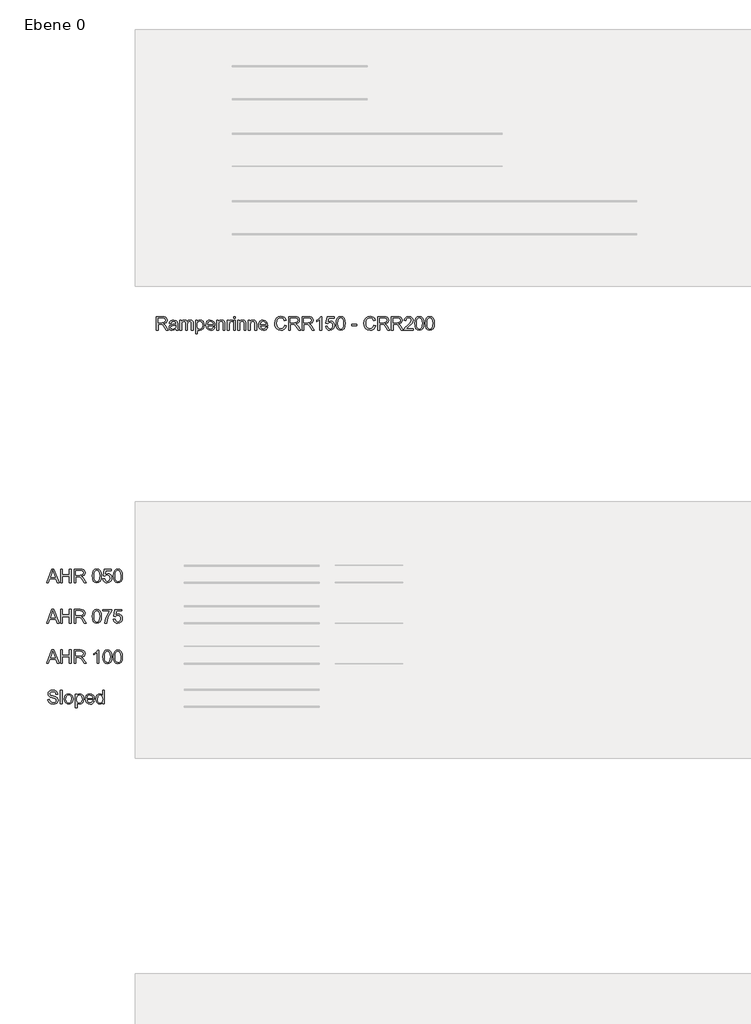
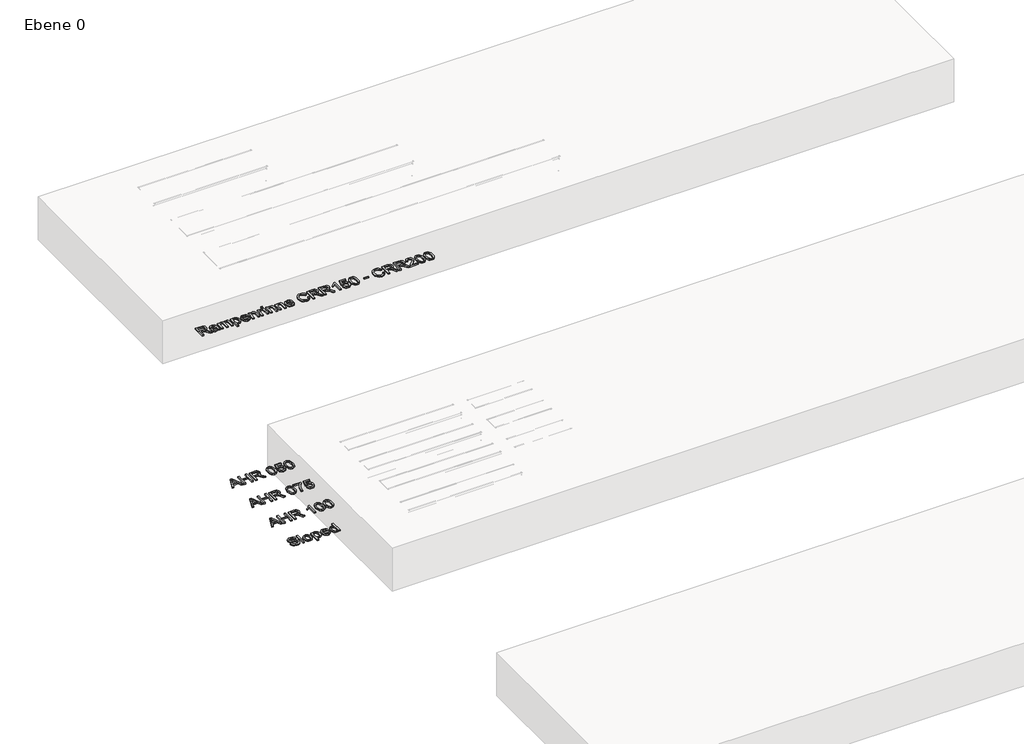
# One storey, part 5 of 8: 5 proxies.
"""IFC4 building model written with IfcOpenShell, lengths in millimetres."""

import ifcopenshell
import ifcopenshell.guid

model = None  # the IFC model being written
_history = None  # IfcOwnerHistory: only IFC2X3 demands one
_inside = {}  # id of a spatial element -> (the spatial element, [elements in it])
_under = {}  # id of a project, library or spatial element -> (it, [spatial elements below it])
_declared = {}  # id of a project -> (the project, [libraries it declares])
_typed = {}  # id of a type object -> (the type object, [elements of that type])
_made_of = {}  # id of a material, layer set ... -> (it, [elements and type objects made of it])


def new_model(schema):
    """Start an empty IFC model of exactly this schema.

    Asked for "IFC4X3", IfcOpenShell would pick the latest addendum, in which some entities
    have other attributes; the version numbers below select the first issue.
    IFC2X3 requires an IfcOwnerHistory on every rooted entity: one is made here for all.
    """
    global model, _history
    if schema == "IFC4X3":
        model = ifcopenshell.file(schema_version=(4, 3, 0, 0))
    else:
        model = ifcopenshell.file(schema=schema)
    _inside.clear()
    _under.clear()
    _declared.clear()
    _typed.clear()
    _made_of.clear()
    _history = None
    if model.schema == "IFC2X3":
        org = make("IfcOrganization", Name="unknown")
        user = make(
            "IfcPersonAndOrganization",
            ThePerson=make("IfcPerson", FamilyName="unknown"),
            TheOrganization=org,
        )
        app = make(
            "IfcApplication",
            ApplicationDeveloper=org,
            Version="unknown",
            ApplicationFullName="unknown",
            ApplicationIdentifier="unknown",
        )
        _history = make(
            "IfcOwnerHistory",
            OwningUser=user,
            OwningApplication=app,
            ChangeAction="ADDED",
            CreationDate=0,
        )
    return model


def make(cls, **values):
    """One entity of the class cls with the attributes given. An attribute that is None is left unset."""
    return model.create_entity(
        cls, **{name: value for name, value in values.items() if value is not None}
    )


def rooted(cls, **values):
    """An entity with a GlobalId (a new one), such as an element, a storey or a relation."""
    return make(cls, GlobalId=ifcopenshell.guid.new(), OwnerHistory=_history, **values)


def si_unit(unit_type, name, prefix=None):
    """IfcSIUnit, for example si_unit("LENGTHUNIT", "METRE", prefix="MILLI")."""
    return make("IfcSIUnit", UnitType=unit_type, Prefix=prefix, Name=name)


def assignment(units):
    """IfcUnitAssignment: the units of a project."""
    return None if units is None else make("IfcUnitAssignment", Units=units)


def point(xyz):
    """IfcCartesianPoint."""
    return None if xyz is None else make("IfcCartesianPoint", Coordinates=xyz)


def direction(xyz):
    """IfcDirection."""
    return None if xyz is None else make("IfcDirection", DirectionRatios=xyz)


def frame(location, z_axis=None, x_axis=None):
    """IfcAxis2Placement3D, a coordinate frame: its origin and axes. An axis left out is left unset."""
    return make(
        "IfcAxis2Placement3D",
        Location=point(location),
        Axis=direction(z_axis),
        RefDirection=direction(x_axis),
    )


def origin():
    """The frame at (0, 0, 0) with its axes left unset."""
    return frame((0.0, 0.0, 0.0))


def origin_with_axes():
    """The frame at (0, 0, 0) with the z axis (0, 0, 1) and the x axis (1, 0, 0) written out."""
    return frame((0.0, 0.0, 0.0), z_axis=(0.0, 0.0, 1.0), x_axis=(1.0, 0.0, 0.0))


def place(relative_to, where):
    """IfcLocalPlacement: puts the frame where relative to a parent placement (None: the world)."""
    return make(
        "IfcLocalPlacement", PlacementRelTo=relative_to, RelativePlacement=where
    )


def context(
    kind, dimensions, precision=None, world=None, true_north=None, identifier=None
):
    """IfcGeometricRepresentationContext, for example the 3D "Model" context."""
    return make(
        "IfcGeometricRepresentationContext",
        ContextIdentifier=identifier,
        ContextType=kind,
        CoordinateSpaceDimension=dimensions,
        Precision=precision,
        WorldCoordinateSystem=world,
        TrueNorth=true_north,
    )


def project(units=None, contexts=None):
    """IfcProject with its units and contexts."""
    return rooted(
        "IfcProject",
        Name="project",
        RepresentationContexts=contexts,
        UnitsInContext=assignment(units),
    )


def spatial(cls, under=None, at=None, **own):
    """A site, building, storey or space (cls), placed at a placement, below another one or the project."""
    s = rooted(cls, ObjectPlacement=at, **own)
    if under is not None:
        _under.setdefault(under.id(), (under, []))[1].append(s)
    return s


def polyline(points):
    """IfcPolyline through the points."""
    return make("IfcPolyline", Points=[point(p) for p in points])


def outline(outer, holes=None, kind="AREA"):
    """IfcArbitraryClosedProfileDef: a profile drawn as a closed curve; with holes, ...WithVoids."""
    if holes is None:
        return make("IfcArbitraryClosedProfileDef", ProfileType=kind, OuterCurve=outer)
    return make(
        "IfcArbitraryProfileDefWithVoids",
        ProfileType=kind,
        OuterCurve=outer,
        InnerCurves=holes,
    )


def extrude(swept, where, along, depth):
    """IfcExtrudedAreaSolid: the profile swept, set in the frame where, extruded along a direction by depth."""
    return make(
        "IfcExtrudedAreaSolid",
        SweptArea=swept,
        Position=where,
        ExtrudedDirection=direction(along),
        Depth=depth,
    )


def shape(context_of_items, identifier, shape_type, items):
    """IfcShapeRepresentation: the items that make up one representation, for example the "Body"."""
    return make(
        "IfcShapeRepresentation",
        ContextOfItems=context_of_items,
        RepresentationIdentifier=identifier,
        RepresentationType=shape_type,
        Items=items,
    )


def made_of(thing, what):
    """Note that an element or type object is made of a material, layer set ...; save() writes the relation."""
    if what is not None:
        _made_of.setdefault(what.id(), (what, []))[1].append(thing)
    return thing


def element(
    cls,
    number,
    at=None,
    inside=None,
    cuts=None,
    type_object=None,
    material=None,
    context=None,
    identifier="Body",
    shape_type=None,
    held_by="IfcProductDefinitionShape",
    body=None,
    shapes=None,
    **own,
):
    """One element of the class cls, such as IfcWall. Its Tag is "e" and its number.

    at: its placement. inside: the storey or other place that contains it. cuts: it is an
    opening in that element (IfcRelVoidsElement). A single representation is given by context,
    identifier, shape_type and body (its items); several are given by shapes. held_by: the class
    of the entity that holds the representations. save() writes the other relations.
    """
    e = rooted(cls, Tag="e%d" % number, ObjectPlacement=at, **own)
    if body is not None:
        shapes = [shape(context, identifier, shape_type, body)]
    if shapes is not None:
        e.Representation = make(held_by, Representations=shapes)
    if inside is not None:
        _inside.setdefault(inside.id(), (inside, []))[1].append(e)
    if cuts is not None:
        rooted(
            "IfcRelVoidsElement", RelatingBuildingElement=cuts, RelatedOpeningElement=e
        )
    if type_object is not None:
        _typed.setdefault(type_object.id(), (type_object, []))[1].append(e)
    return made_of(e, material)


def aggregate(whole, parts):
    """IfcRelAggregates: a whole, such as a stair, and the parts it consists of."""
    return rooted("IfcRelAggregates", RelatingObject=whole, RelatedObjects=parts)


def save(model, path):
    """Write the relations noted so far, then the file.

    IfcRelAggregates (storeys below a building ...), IfcRelContainedInSpatialStructure (elements
    in a storey), IfcRelDefinesByType, IfcRelAssociatesMaterial and IfcRelDeclares: one each for
    every whole, place, type object, material and project.
    """
    for whole, parts in _under.values():
        aggregate(whole, parts)
    for where, things in _inside.values():
        rooted(
            "IfcRelContainedInSpatialStructure",
            RelatedElements=things,
            RelatingStructure=where,
        )
    for kind, things in _typed.values():
        rooted("IfcRelDefinesByType", RelatedObjects=things, RelatingType=kind)
    for what, things in _made_of.values():
        rooted("IfcRelAssociatesMaterial", RelatedObjects=things, RelatingMaterial=what)
    for by, libraries in _declared.values():
        rooted("IfcRelDeclares", RelatingContext=by, RelatedDefinitions=libraries)
    model.write(path)


model = new_model("IFC4")

# Units and contexts
model_context = context("Model", 3, world=origin())
ifc_project = project(units=[si_unit("LENGTHUNIT", "METRE", prefix="MILLI")], contexts=[model_context])

# Site, building, storey
site = spatial("IfcSite", under=ifc_project)
building = spatial("IfcBuilding", under=site)
storey = spatial("IfcBuildingStorey", under=building, Name="Ebene 0", Elevation=0.0)

# Proxies
placement = place(None, origin())
element("IfcBuildingElementProxy", 1, Name="100mm ACO", ObjectType="100mm ACO", at=placement, inside=storey, context=model_context, shape_type="SweptSolid", body=[
    extrude(outline(polyline([(1694.2869147, 12922.2822027), (1679.2108836, 12922.2822027), (1660.3367404, 12952.3178476), (1652.522234, 12961.5002565), (1644.751384, 12966.0405284), (1635.1178583, 12966.9864184), (1619.3142196, 12966.9864184), (1619.3142196, 12922.2822027), (1606.27549, 12922.2822027), (1606.27549, 13022.866688), (1650.6595583, 13022.866688), (1665.9247674, 13021.7170679), (1676.7224653, 13016.8857529), (1683.8675727, 13007.601479), (1686.3705431, 12995.7996824), (1684.5442479, 12985.6895738), (1679.065362, 12977.7695642), (1670.1448919, 12972.1924513), (1657.9938437, 12969.1110328), (1667.7074062, 12961.5802934), (1676.8243304, 12949.8439815), (1694.2869147, 12922.2822027)]), holes=[polyline([(1619.3142196, 12978.1624723), (1648.2439008, 12978.1624723), (1662.1121032, 12979.646792), (1670.2758613, 12985.423997), (1673.3318135, 12995.0720748), (1668.253112, 13006.844767), (1661.526379, 13010.4791673), (1651.5035832, 13011.6906341), (1619.3142196, 13011.6906341), (1619.3142196, 12978.1624723)])]), origin_with_axes(), (0.0, 0.0, 1.0), 10.0),
    extrude(outline(polyline([(1768.3282719, 12922.2822027), (1755.2895423, 12922.2822027), (1751.564191, 12931.0717035), (1738.9984064, 12923.0825712), (1725.4576276, 12920.4195271), (1715.4130036, 12921.8747424), (1707.7476567, 12926.2403885), (1702.8908754, 12932.9925877), (1701.2719484, 12941.6074626), (1702.8581331, 12949.9640368), (1707.6166873, 12956.6980459), (1716.2970469, 12961.6203118), (1729.6486478, 12964.5416566), (1741.0575362, 12966.287915), (1751.564191, 12968.8490941), (1751.2294915, 12976.9255393), (1749.2795029, 12981.829615), (1744.0843841, 12985.9187702), (1734.4508584, 12987.4758506), (1722.2998102, 12984.3180333), (1716.1733536, 12972.5744454), (1703.134624, 12974.1751823), (1706.7108157, 12984.0415424), (1713.4229966, 12991.113889), (1723.2638904, 12995.3703939), (1736.2262212, 12996.7892289), (1755.5951375, 12992.9038039), (1763.1913617, 12983.532217), (1764.6029206, 12969.4020759), (1764.6029206, 12952.7835166), (1765.1559024, 12932.4105016), (1768.3282719, 12922.2822027)]), holes=[polyline([(1751.564191, 12954.8790267), (1751.564191, 12959.5357158), (1728.149776, 12954.1805233), (1717.7704524, 12950.0986442), (1714.3106779, 12941.8111928), (1718.0360292, 12933.1381093), (1728.7755186, 12929.7329053), (1744.6810224, 12935.4373495), (1749.8433989, 12943.1499909), (1751.564191, 12954.8790267)])]), origin_with_axes(), (0.0, 0.0, 1.0), 10.0),
    extrude(outline(polyline([(1880.0888111, 12922.2822027), (1867.0500816, 12922.2822027), (1867.0500816, 12969.2565544), (1866.3952347, 12978.1188159), (1862.9900307, 12984.6381807), (1854.4188123, 12987.4758506), (1842.3405248, 12982.2952839), (1838.5205845, 12975.4994282), (1837.2472711, 12965.4729944), (1837.2472711, 12922.2822027), (1824.2085415, 12922.2822027), (1824.2085415, 12970.6535611), (1821.0070677, 12983.8960208), (1811.9265239, 12987.4758506), (1799.324359, 12981.8732715), (1795.635388, 12973.8295686), (1794.4057311, 12960.9036182), (1794.4057311, 12922.2822027), (1781.3670015, 12922.2822027), (1781.3670015, 12994.9265532), (1792.5430554, 12994.9265532), (1792.5430554, 12984.9728802), (1801.980127, 12993.8351417), (1814.6041202, 12996.7892289), (1827.8611321, 12993.6023073), (1835.3845954, 12984.0124381), (1844.9599125, 12993.5950312), (1857.6202861, 12996.7892289), (1867.4502658, 12995.2612528), (1874.4716799, 12990.6773244), (1878.6845283, 12983.0374438), (1880.0888111, 12972.3416109), (1880.0888111, 12922.2822027)])), origin_with_axes(), (0.0, 0.0, 1.0), 10.0),
    extrude(outline(polyline([(1911.8852666, 12986.1661568), (1920.3910004, 12994.1334609), (1932.1273122, 12996.7892289), (1944.5257471, 12994.1843934), (1954.0137512, 12986.3698869), (1960.0383427, 12974.3716363), (1962.0465399, 12959.2155684), (1959.776404, 12943.2336658), (1952.9659961, 12930.9116298), (1942.8522494, 12923.0425527), (1930.6720969, 12920.4195271), (1920.2382028, 12922.5586936), (1912.103549, 12928.9761934), (1911.7542973, 12894.3420679), (1898.7155677, 12894.3420679), (1898.7155677, 12994.9265532), (1911.7542973, 12994.9265532), (1911.8852666, 12986.1661568)]), holes=[polyline([(1929.2459858, 12929.7329053), (1937.0641303, 12931.5701147), (1943.4052312, 12937.0817429), (1947.6071656, 12946.2314094), (1949.0078103, 12958.982734), (1947.6580981, 12971.1301441), (1943.6089614, 12980.0979088), (1937.4570385, 12985.6313651), (1929.7989677, 12987.4758506), (1921.871682, 12985.4203589), (1915.4942007, 12979.2538839), (1911.2922664, 12969.8131742), (1909.8916216, 12957.9349789), (1911.2340578, 12945.7511884), (1915.2613663, 12936.907117), (1921.4423935, 12931.5264583), (1929.2459858, 12929.7329053)])]), origin_with_axes(), (0.0, 0.0, 1.0), 10.0),
    extrude(outline(polyline([(2040.2789174, 12955.8103645), (1986.2613234, 12955.8103645), (1988.3459194, 12944.6197584), (1993.0862834, 12936.426896), (1999.9076054, 12931.406403), (2008.2350753, 12929.7329053), (2019.9786632, 12933.4437045), (2027.2401878, 12944.6343106), (2040.2789174, 12943.1208866), (2035.8768909, 12933.4437045), (2028.8991333, 12926.2985971), (2019.6003072, 12921.8892946), (2008.2350753, 12920.4195271), (1993.5628665, 12922.9406877), (1982.4923157, 12930.5041695), (1975.5400243, 12942.4332973), (1973.2225938, 12958.0513961), (1975.4563494, 12973.680409), (1982.1576161, 12986.0497396), (1992.9189337, 12994.1043566), (2007.3328418, 12996.7892289), (2022.6417073, 12993.3112642), (2035.1420072, 12981.4658112), (2038.9946898, 12970.8682054), (2040.2789174, 12955.8103645)]), holes=[polyline([(2027.2401878, 12965.1237428), (2025.1446777, 12975.3393546), (2020.3715713, 12982.2370753), (2007.0126944, 12987.4758506), (1999.110875, 12985.9187702), (1992.7515839, 12981.2475289), (1986.2613234, 12965.1237428), (2027.2401878, 12965.1237428)])]), origin_with_axes(), (0.0, 0.0, 1.0), 10.0),
    extrude(outline(polyline([(2114.7859436, 12922.2822027), (2101.747214, 12922.2822027), (2101.747214, 12967.5102959), (2097.861789, 12983.1975175), (2087.0495389, 12987.4758506), (2076.9648965, 12984.7400457), (2070.2126972, 12977.0274044), (2068.2190522, 12962.9409197), (2068.2190522, 12922.2822027), (2055.1803226, 12922.2822027), (2055.1803226, 12994.9265532), (2066.3563766, 12994.9265532), (2066.3563766, 12984.8273587), (2076.3100496, 12993.8060374), (2089.6398222, 12996.7892289), (2101.0778149, 12994.7228231), (2109.9255243, 12988.5381578), (2113.9564708, 12979.7486571), (2114.7859436, 12967.13194), (2114.7859436, 12922.2822027)])), origin_with_axes(), (0.0, 0.0, 1.0), 10.0),
    extrude(outline(polyline([(2172.5288888, 12993.9370068), (2168.4542858, 12985.613175), (2159.8976196, 12987.4758506), (2154.0694821, 12985.8387333), (2149.8566336, 12980.9273815), (2146.4514297, 12962.591668), (2146.4514297, 12922.2822027), (2133.4127001, 12922.2822027), (2133.4127001, 12994.9265532), (2144.588754, 12994.9265532), (2144.588754, 12984.1579596), (2151.5592356, 12993.6314116), (2160.0431411, 12996.7892289), (2172.5288888, 12993.9370068)])), origin_with_axes(), (0.0, 0.0, 1.0), 10.0),
    extrude(outline(polyline([(2193.018321, 12922.2822027), (2179.9795914, 12922.2822027), (2179.9795914, 12994.9265532), (2193.018321, 12994.9265532), (2193.018321, 12922.2822027)])), origin_with_axes(), (0.0, 0.0, 1.0), 10.0),
    extrude(outline(polyline([(2193.018321, 13009.8279585), (2179.9795914, 13009.8279585), (2179.9795914, 13022.866688), (2193.018321, 13022.866688), (2193.018321, 13009.8279585)])), origin_with_axes(), (0.0, 0.0, 1.0), 10.0),
    extrude(outline(polyline([(2271.2506985, 12922.2822027), (2258.2119689, 12922.2822027), (2258.2119689, 12967.5102959), (2254.3265439, 12983.1975175), (2243.5142938, 12987.4758506), (2233.4296514, 12984.7400457), (2226.6774522, 12977.0274044), (2224.6838071, 12962.9409197), (2224.6838071, 12922.2822027), (2211.6450776, 12922.2822027), (2211.6450776, 12994.9265532), (2222.8211315, 12994.9265532), (2222.8211315, 12984.8273587), (2232.7748045, 12993.8060374), (2246.1045772, 12996.7892289), (2257.5425699, 12994.7228231), (2266.3902792, 12988.5381578), (2270.4212257, 12979.7486571), (2271.2506985, 12967.13194), (2271.2506985, 12922.2822027)])), origin_with_axes(), (0.0, 0.0, 1.0), 10.0),
    extrude(outline(polyline([(2349.483076, 12922.2822027), (2336.4443464, 12922.2822027), (2336.4443464, 12967.5102959), (2332.5589214, 12983.1975175), (2321.7466713, 12987.4758506), (2311.6620289, 12984.7400457), (2304.9098297, 12977.0274044), (2302.9161846, 12962.9409197), (2302.9161846, 12922.2822027), (2289.877455, 12922.2822027), (2289.877455, 12994.9265532), (2301.053509, 12994.9265532), (2301.053509, 12984.8273587), (2311.007182, 12993.8060374), (2324.3369546, 12996.7892289), (2335.7749473, 12994.7228231), (2344.6226567, 12988.5381578), (2348.6536032, 12979.7486571), (2349.483076, 12967.13194), (2349.483076, 12922.2822027)])), origin_with_axes(), (0.0, 0.0, 1.0), 10.0),
    extrude(outline(polyline([(2431.4408047, 12955.8103645), (2377.4232108, 12955.8103645), (2379.5078068, 12944.6197584), (2384.2481708, 12936.426896), (2391.0694928, 12931.406403), (2399.3969626, 12929.7329053), (2411.1405505, 12933.4437045), (2418.4020752, 12944.6343106), (2431.4408047, 12943.1208866), (2427.0387783, 12933.4437045), (2420.0610207, 12926.2985971), (2410.7621946, 12921.8892946), (2399.3969626, 12920.4195271), (2384.7247538, 12922.9406877), (2373.654203, 12930.5041695), (2366.7019117, 12942.4332973), (2364.3844812, 12958.0513961), (2366.6182368, 12973.680409), (2373.3195035, 12986.0497396), (2384.080821, 12994.1043566), (2398.4947291, 12996.7892289), (2413.8035946, 12993.3112642), (2426.3038945, 12981.4658112), (2430.1565772, 12970.8682054), (2431.4408047, 12955.8103645)]), holes=[polyline([(2418.4020752, 12965.1237428), (2416.3065651, 12975.3393546), (2411.5334587, 12982.2370753), (2398.1745817, 12987.4758506), (2390.2727624, 12985.9187702), (2383.9134713, 12981.2475289), (2377.4232108, 12965.1237428), (2418.4020752, 12965.1237428)])]), origin_with_axes(), (0.0, 0.0, 1.0), 10.0),
    extrude(outline(polyline([(2571.1414788, 12954.2969405), (2565.193286, 12939.3846212), (2556.0217913, 12928.8161197), (2544.1654242, 12922.5186752), (2530.1626144, 12920.4195271), (2509.1347525, 12924.297676), (2494.7135684, 12935.9321227), (2486.3751844, 12953.0236271), (2483.5957231, 12973.2729487), (2486.8590435, 12994.7846697), (2496.6490048, 13011.0648915), (2511.5686002, 13021.3132456), (2530.220823, 13024.7293637), (2543.6124423, 13022.9067065), (2554.9158276, 13017.4387348), (2563.6362056, 13008.456418), (2569.2788031, 12996.0907255), (2556.2400736, 12993.0638776), (2546.330057, 13008.4163996), (2529.7260498, 13013.5533098), (2515.4212829, 13010.828419), (2505.0455974, 13002.6537468), (2498.7372388, 12989.8951461), (2496.6344526, 12973.4184703), (2498.8609321, 12954.9481494), (2505.5403706, 12941.9130579), (2515.7996389, 12934.1749502), (2528.7656077, 12931.595581), (2539.3959558, 12933.2217841), (2547.8289288, 12938.1003936), (2554.0645266, 12946.2459616), (2558.1027492, 12957.6730401), (2571.1414788, 12954.2969405)])), origin_with_axes(), (0.0, 0.0, 1.0), 10.0),
    extrude(outline(polyline([(2675.9169843, 12922.2822027), (2660.8409533, 12922.2822027), (2641.9668101, 12952.3178476), (2634.1523037, 12961.5002565), (2626.3814537, 12966.0405284), (2616.747928, 12966.9864184), (2600.9442893, 12966.9864184), (2600.9442893, 12922.2822027), (2587.9055597, 12922.2822027), (2587.9055597, 13022.866688), (2632.289628, 13022.866688), (2647.5548371, 13021.7170679), (2658.352535, 13016.8857529), (2665.4976424, 13007.601479), (2668.0006128, 12995.7996824), (2666.1743175, 12985.6895738), (2660.6954317, 12977.7695642), (2651.7749616, 12972.1924513), (2639.6239134, 12969.1110328), (2649.3374759, 12961.5802934), (2658.4544001, 12949.8439815), (2675.9169843, 12922.2822027)]), holes=[polyline([(2600.9442893, 12978.1624723), (2629.8739705, 12978.1624723), (2643.7421729, 12979.646792), (2651.905931, 12985.423997), (2654.9618832, 12995.0720748), (2649.8831816, 13006.844767), (2643.1564487, 13010.4791673), (2633.1336529, 13011.6906341), (2600.9442893, 13011.6906341), (2600.9442893, 12978.1624723)])]), origin_with_axes(), (0.0, 0.0, 1.0), 10.0),
    extrude(outline(polyline([(2776.5014697, 12922.2822027), (2761.4254386, 12922.2822027), (2742.5512954, 12952.3178476), (2734.736789, 12961.5002565), (2726.965939, 12966.0405284), (2717.3324133, 12966.9864184), (2701.5287746, 12966.9864184), (2701.5287746, 12922.2822027), (2688.490045, 12922.2822027), (2688.490045, 13022.866688), (2732.8741133, 13022.866688), (2748.1393224, 13021.7170679), (2758.9370203, 13016.8857529), (2766.0821277, 13007.601479), (2768.5850981, 12995.7996824), (2766.7588029, 12985.6895738), (2761.2799171, 12977.7695642), (2752.3594469, 12972.1924513), (2740.2083987, 12969.1110328), (2749.9219612, 12961.5802934), (2759.0388854, 12949.8439815), (2776.5014697, 12922.2822027)]), holes=[polyline([(2701.5287746, 12978.1624723), (2730.4584558, 12978.1624723), (2744.3266582, 12979.646792), (2752.4904163, 12985.423997), (2755.5463686, 12995.0720748), (2750.467667, 13006.844767), (2743.740934, 13010.4791673), (2733.7181382, 13011.6906341), (2701.5287746, 13011.6906341), (2701.5287746, 12978.1624723)])]), origin_with_axes(), (0.0, 0.0, 1.0), 10.0),
    extrude(outline(polyline([(2831.9160704, 12922.2822027), (2818.8773408, 12922.2822027), (2818.8773408, 13000.5145802), (2794.6625573, 12985.613175), (2794.6625573, 12994.9265532), (2813.0419272, 13006.7137976), (2824.4653678, 13021.0040124), (2831.9160704, 13021.0040124), (2831.9160704, 12922.2822027)])), origin_with_axes(), (0.0, 0.0, 1.0), 10.0),
    extrude(outline(polyline([(2879.2978823, 12984.7691501), (2898.0701604, 12989.3385263), (2909.6209323, 12987.1011327), (2919.5927955, 12980.3889518), (2926.4796022, 12969.9514197), (2928.7752044, 12956.5379722), (2926.3922892, 12942.6188373), (2919.2435438, 12930.9552862), (2908.2312016, 12923.0534669), (2894.2574962, 12920.4195271), (2882.4484236, 12922.2385463), (2872.3419529, 12927.6956038), (2865.0586001, 12936.717939), (2861.7188808, 12949.2327911), (2874.7576104, 12950.2223375), (2881.5680183, 12934.8116069), (2894.4030177, 12929.7329053), (2903.0178926, 12931.6174092), (2909.8283005, 12937.2709209), (2914.2594312, 12945.6820656), (2915.7364748, 12955.8394688), (2914.2557932, 12965.8659026), (2909.8137483, 12973.5348875), (2903.0433589, 12978.4025829), (2894.5776435, 12980.025148), (2884.1801298, 12977.660423), (2876.5038688, 12970.5662482), (2863.5815565, 12972.0796722), (2873.3314994, 13021.0040124), (2925.0498531, 13021.0040124), (2925.0498531, 13011.6906341), (2884.6821791, 13011.6906341), (2879.2978823, 12984.7691501)])), origin_with_axes(), (0.0, 0.0, 1.0), 10.0),
    extrude(outline(polyline([(2973.4503158, 13022.866688), (2988.1316197, 13019.6615762), (2998.6182653, 13010.0462408), (3004.9102527, 12994.0206817), (3007.0075819, 12971.5848989), (3004.839311, 12948.9817664), (2998.3344983, 12933.0362442), (2987.7769109, 12923.5737063), (2973.4503158, 12920.4195271), (2958.7944781, 12923.6173628), (2948.3260227, 12933.21087), (2942.0449494, 12949.2000487), (2939.9512583, 12971.5848989), (2942.1195292, 12994.1843934), (2948.6243418, 13010.1772101), (2959.1673771, 13019.6943186), (2973.4503158, 13022.866688)]), holes=[polyline([(2973.4794201, 12929.7329053), (2982.3707859, 12932.1813052), (2988.7882856, 12939.5265047), (2992.6737106, 12952.4379029), (2993.9688523, 12971.5848989), (2991.6987163, 12995.945204), (2984.844652, 13009.1876637), (2973.3338985, 13013.5533098), (2964.4607229, 13011.0612535), (2958.0977938, 13003.5850846), (2954.2669394, 12990.6009256), (2952.9899879, 12971.5848989), (2955.3037803, 12947.3846676), (2962.1578446, 12934.0985514), (2973.4794201, 12929.7329053)])]), origin_with_axes(), (0.0, 0.0, 1.0), 10.0),
    extrude(outline(polyline([(3094.5533376, 12955.8103645), (3055.4371489, 12955.8103645), (3055.4371489, 12965.1237428), (3094.5533376, 12965.1237428), (3094.5533376, 12955.8103645)])), origin_with_axes(), (0.0, 0.0, 1.0), 10.0),
    extrude(outline(polyline([(3232.391336, 12954.2969405), (3226.4431432, 12939.3846212), (3217.2716485, 12928.8161197), (3205.4152814, 12922.5186752), (3191.4124716, 12920.4195271), (3170.3846097, 12924.297676), (3155.9634256, 12935.9321227), (3147.6250416, 12953.0236271), (3144.8455803, 12973.2729487), (3148.1089007, 12994.7846697), (3157.898862, 13011.0648915), (3172.8184574, 13021.3132456), (3191.4706802, 13024.7293637), (3204.8622995, 13022.9067065), (3216.1656848, 13017.4387348), (3224.8860628, 13008.456418), (3230.5286603, 12996.0907255), (3217.4899308, 12993.0638776), (3207.5799142, 13008.4163996), (3190.975907, 13013.5533098), (3176.6711401, 13010.828419), (3166.2954546, 13002.6537468), (3159.987096, 12989.8951461), (3157.8843098, 12973.4184703), (3160.1107893, 12954.9481494), (3166.7902278, 12941.9130579), (3177.0494961, 12934.1749502), (3190.0154649, 12931.595581), (3200.645813, 12933.2217841), (3209.078786, 12938.1003936), (3215.3143838, 12946.2459616), (3219.3526064, 12957.6730401), (3232.391336, 12954.2969405)])), origin_with_axes(), (0.0, 0.0, 1.0), 10.0),
    extrude(outline(polyline([(3337.1668415, 12922.2822027), (3322.0908105, 12922.2822027), (3303.2166673, 12952.3178476), (3295.4021609, 12961.5002565), (3287.6313109, 12966.0405284), (3277.9977852, 12966.9864184), (3262.1941465, 12966.9864184), (3262.1941465, 12922.2822027), (3249.1554169, 12922.2822027), (3249.1554169, 13022.866688), (3293.5394852, 13022.866688), (3308.8046943, 13021.7170679), (3319.6023922, 13016.8857529), (3326.7474996, 13007.601479), (3329.25047, 12995.7996824), (3327.4241747, 12985.6895738), (3321.9452889, 12977.7695642), (3313.0248188, 12972.1924513), (3300.8737706, 12969.1110328), (3310.5873331, 12961.5802934), (3319.7042573, 12949.8439815), (3337.1668415, 12922.2822027)]), holes=[polyline([(3262.1941465, 12978.1624723), (3291.1238277, 12978.1624723), (3304.99203, 12979.646792), (3313.1557882, 12985.423997), (3316.2117404, 12995.0720748), (3311.1330388, 13006.844767), (3304.4063059, 13010.4791673), (3294.3835101, 13011.6906341), (3262.1941465, 13011.6906341), (3262.1941465, 12978.1624723)])]), origin_with_axes(), (0.0, 0.0, 1.0), 10.0),
    extrude(outline(polyline([(3437.7513269, 12922.2822027), (3422.6752958, 12922.2822027), (3403.8011526, 12952.3178476), (3395.9866462, 12961.5002565), (3388.2157962, 12966.0405284), (3378.5822705, 12966.9864184), (3362.7786318, 12966.9864184), (3362.7786318, 12922.2822027), (3349.7399022, 12922.2822027), (3349.7399022, 13022.866688), (3394.1239705, 13022.866688), (3409.3891796, 13021.7170679), (3420.1868775, 13016.8857529), (3427.3319849, 13007.601479), (3429.8349553, 12995.7996824), (3428.0086601, 12985.6895738), (3422.5297742, 12977.7695642), (3413.6093041, 12972.1924513), (3401.4582559, 12969.1110328), (3411.1718184, 12961.5802934), (3420.2887426, 12949.8439815), (3437.7513269, 12922.2822027)]), holes=[polyline([(3362.7786318, 12978.1624723), (3391.708313, 12978.1624723), (3405.5765154, 12979.646792), (3413.7402735, 12985.423997), (3416.7962257, 12995.0720748), (3411.7175242, 13006.844767), (3404.9907912, 13010.4791673), (3394.9679954, 13011.6906341), (3362.7786318, 13011.6906341), (3362.7786318, 12978.1624723)])]), origin_with_axes(), (0.0, 0.0, 1.0), 10.0),
    extrude(outline(polyline([(3509.9300084, 12922.2822027), (3442.8736849, 12922.2822027), (3448.8691722, 12937.9694242), (3471.0175499, 12959.7103416), (3488.8875944, 12977.1438216), (3494.8903578, 12986.2243654), (3496.8912789, 12995.3631178), (3491.4342213, 13008.4018474), (3477.6533319, 13013.5533098), (3463.5377429, 13008.4163996), (3459.2448576, 13002.009814), (3457.7750901, 12993.0638776), (3444.7363606, 12994.4608843), (3447.8941779, 13006.6337608), (3454.9810767, 13015.561507), (3465.2548971, 13021.0403928), (3477.9734793, 13022.866688), (3491.408755, 13020.7675399), (3501.5043115, 13014.4700954), (3507.8235842, 13005.2040117), (3509.9300084, 12994.1989456), (3508.1691979, 12984.2379964), (3502.8867661, 12974.146078), (3475.295883, 12946.4678819), (3459.6377658, 12931.595581), (3509.9300084, 12931.595581), (3509.9300084, 12922.2822027)])), origin_with_axes(), (0.0, 0.0, 1.0), 10.0),
    extrude(outline(polyline([(3556.4677955, 13022.866688), (3571.1490994, 13019.6615762), (3581.6357451, 13010.0462408), (3587.9277324, 12994.0206817), (3590.0250616, 12971.5848989), (3587.8567907, 12948.9817664), (3581.3519781, 12933.0362442), (3570.7943907, 12923.5737063), (3556.4677955, 12920.4195271), (3541.8119579, 12923.6173628), (3531.3435024, 12933.21087), (3525.0624291, 12949.2000487), (3522.968738, 12971.5848989), (3525.1370089, 12994.1843934), (3531.6418215, 13010.1772101), (3542.1848568, 13019.6943186), (3556.4677955, 13022.866688)]), holes=[polyline([(3556.4968998, 12929.7329053), (3565.3882656, 12932.1813052), (3571.8057653, 12939.5265047), (3575.6911903, 12952.4379029), (3576.986332, 12971.5848989), (3574.716196, 12995.945204), (3567.8621317, 13009.1876637), (3556.3513783, 13013.5533098), (3547.4782026, 13011.0612535), (3541.1152735, 13003.5850846), (3537.2844191, 12990.6009256), (3536.0074676, 12971.5848989), (3538.32126, 12947.3846676), (3545.1753243, 12934.0985514), (3556.4968998, 12929.7329053)])]), origin_with_axes(), (0.0, 0.0, 1.0), 10.0),
    extrude(outline(polyline([(3634.700173, 13022.866688), (3649.3814769, 13019.6615762), (3659.8681225, 13010.0462408), (3666.1601099, 12994.0206817), (3668.257439, 12971.5848989), (3666.0891682, 12948.9817664), (3659.5843555, 12933.0362442), (3649.0267681, 12923.5737063), (3634.700173, 12920.4195271), (3620.0443353, 12923.6173628), (3609.5758799, 12933.21087), (3603.2948066, 12949.2000487), (3601.2011155, 12971.5848989), (3603.3693864, 12994.1843934), (3609.874199, 13010.1772101), (3620.4172343, 13019.6943186), (3634.700173, 13022.866688)]), holes=[polyline([(3634.7292773, 12929.7329053), (3643.6206431, 12932.1813052), (3650.0381428, 12939.5265047), (3653.9235678, 12952.4379029), (3655.2187095, 12971.5848989), (3652.9485735, 12995.945204), (3646.0945092, 13009.1876637), (3634.5837557, 13013.5533098), (3625.7105801, 13011.0612535), (3619.347651, 13003.5850846), (3615.5167966, 12990.6009256), (3614.2398451, 12971.5848989), (3616.5536375, 12947.3846676), (3623.4077018, 12934.0985514), (3634.7292773, 12929.7329053)])]), origin_with_axes(), (0.0, 0.0, 1.0), 10.0),
])
element("IfcBuildingElementProxy", 2, Name="100mm ACO", ObjectType="100mm ACO", at=placement, inside=storey, context=model_context, shape_type="SweptSolid", body=[
    extrude(outline(polyline([(886.6655451, 11050.1364713), (872.7827907, 11050.1364713), (860.7336075, 11079.9392818), (818.037589, 11079.9392818), (806.4540748, 11050.1364713), (792.6004246, 11050.1364713), (831.687509, 11150.7209567), (845.9486195, 11150.7209567), (886.6655451, 11050.1364713)]), holes=[polyline([(856.1933356, 11091.1153357), (841.6848385, 11127.9904928), (838.7016471, 11139.7195286), (834.0158536, 11121.0345634), (822.4032351, 11091.1153357), (856.1933356, 11091.1153357)])]), origin_with_axes(), (0.0, 0.0, 1.0), 10.0),
    extrude(outline(polyline([(975.6083076, 11050.1364713), (962.5695781, 11050.1364713), (962.5695781, 11098.5660384), (910.4146597, 11098.5660384), (910.4146597, 11050.1364713), (897.3759302, 11050.1364713), (897.3759302, 11150.7209567), (910.4146597, 11150.7209567), (910.4146597, 11109.7420923), (962.5695781, 11109.7420923), (962.5695781, 11150.7209567), (975.6083076, 11150.7209567), (975.6083076, 11050.1364713)])), origin_with_axes(), (0.0, 0.0, 1.0), 10.0),
    extrude(outline(polyline([(1085.9718401, 11050.1364713), (1070.8958091, 11050.1364713), (1052.0216659, 11080.1721163), (1044.2071595, 11089.3545252), (1036.4363095, 11093.8947971), (1026.8027838, 11094.840687), (1010.9991451, 11094.840687), (1010.9991451, 11050.1364713), (997.9604155, 11050.1364713), (997.9604155, 11150.7209567), (1042.3444838, 11150.7209567), (1057.6096929, 11149.5713365), (1068.4073908, 11144.7400216), (1075.5524982, 11135.4557476), (1078.0554686, 11123.6539511), (1076.2291733, 11113.5438424), (1070.7502875, 11105.6238328), (1061.8298174, 11100.04672), (1049.6787692, 11096.9653015), (1059.3923317, 11089.434562), (1068.5092559, 11077.6982502), (1085.9718401, 11050.1364713)]), holes=[polyline([(1010.9991451, 11106.016741), (1039.9288263, 11106.016741), (1053.7970286, 11107.5010606), (1061.9607868, 11113.2782656), (1065.016739, 11122.9263434), (1059.9380374, 11134.6990356), (1053.2113045, 11138.333436), (1043.1885087, 11139.5449027), (1010.9991451, 11139.5449027), (1010.9991451, 11106.016741)])]), origin_with_axes(), (0.0, 0.0, 1.0), 10.0),
    extrude(outline(polyline([(1165.57212, 11150.7209567), (1180.2534239, 11147.5158448), (1190.7400696, 11137.9005094), (1197.032057, 11121.8749503), (1199.1293861, 11099.4391676), (1196.9611152, 11076.8360351), (1190.4563026, 11060.8905128), (1179.8987152, 11051.427975), (1165.57212, 11048.2737957), (1150.9162824, 11051.4716314), (1140.4478269, 11061.0651387), (1134.1667537, 11077.0543174), (1132.0730626, 11099.4391676), (1134.2413335, 11122.038662), (1140.7461461, 11138.0314788), (1151.2891813, 11147.5485872), (1165.57212, 11150.7209567)]), holes=[polyline([(1165.6012243, 11057.587174), (1174.4925902, 11060.0355738), (1180.9100899, 11067.3807733), (1184.7955149, 11080.2921715), (1186.0906565, 11099.4391676), (1183.8205206, 11123.7994726), (1176.9664563, 11137.0419323), (1165.4557028, 11141.4075784), (1156.5825272, 11138.9155221), (1150.219598, 11131.4393532), (1146.3887436, 11118.4551942), (1145.1117922, 11099.4391676), (1147.4255846, 11075.2389362), (1154.2796489, 11061.95282), (1165.6012243, 11057.587174)])]), origin_with_axes(), (0.0, 0.0, 1.0), 10.0),
    extrude(outline(polyline([(1227.8844415, 11112.6234187), (1246.6567196, 11117.1927949), (1258.2074915, 11114.9554013), (1268.1793547, 11108.2432205), (1275.0661614, 11097.8056883), (1277.3617636, 11084.3922408), (1274.9788484, 11070.4731059), (1267.830103, 11058.8095549), (1256.8177608, 11050.9077355), (1242.8440554, 11048.2737957), (1231.0349828, 11050.0928149), (1220.9285121, 11055.5498725), (1213.6451593, 11064.5722077), (1210.30544, 11077.0870597), (1223.3441696, 11078.0766062), (1230.1545775, 11062.6658756), (1242.9895769, 11057.587174), (1251.6044518, 11059.4716778), (1258.4148597, 11065.1251895), (1262.8459904, 11073.5363343), (1264.323034, 11083.6937374), (1262.8423524, 11093.7201712), (1258.4003075, 11101.3891561), (1251.6299181, 11106.2568515), (1243.1642028, 11107.8794166), (1232.766689, 11105.5146917), (1225.090428, 11098.4205168), (1212.1681157, 11099.9339408), (1221.9180586, 11148.858281), (1273.6364123, 11148.858281), (1273.6364123, 11139.5449027), (1233.2687383, 11139.5449027), (1227.8844415, 11112.6234187)])), origin_with_axes(), (0.0, 0.0, 1.0), 10.0),
    extrude(outline(polyline([(1322.036875, 11150.7209567), (1336.7181789, 11147.5158448), (1347.2048245, 11137.9005094), (1353.4968119, 11121.8749503), (1355.5941411, 11099.4391676), (1353.4258702, 11076.8360351), (1346.9210575, 11060.8905128), (1336.3634701, 11051.427975), (1322.036875, 11048.2737957), (1307.3810373, 11051.4716314), (1296.9125819, 11061.0651387), (1290.6315086, 11077.0543174), (1288.5378175, 11099.4391676), (1290.7060884, 11122.038662), (1297.210901, 11138.0314788), (1307.7539363, 11147.5485872), (1322.036875, 11150.7209567)]), holes=[polyline([(1322.0659793, 11057.587174), (1330.9573451, 11060.0355738), (1337.3748448, 11067.3807733), (1341.2602698, 11080.2921715), (1342.5554115, 11099.4391676), (1340.2852755, 11123.7994726), (1333.4312112, 11137.0419323), (1321.9204578, 11141.4075784), (1313.0472821, 11138.9155221), (1306.684353, 11131.4393532), (1302.8534986, 11118.4551942), (1301.5765471, 11099.4391676), (1303.8903395, 11075.2389362), (1310.7444038, 11061.95282), (1322.0659793, 11057.587174)])]), origin_with_axes(), (0.0, 0.0, 1.0), 10.0),
])
element("IfcBuildingElementProxy", 3, Name="100mm ACO", ObjectType="100mm ACO", at=placement, inside=storey, context=model_context, shape_type="SweptSolid", body=[
    extrude(outline(polyline([(886.6655451, 10750.1364713), (872.7827907, 10750.1364713), (860.7336075, 10779.9392818), (818.037589, 10779.9392818), (806.4540748, 10750.1364713), (792.6004246, 10750.1364713), (831.687509, 10850.7209567), (845.9486195, 10850.7209567), (886.6655451, 10750.1364713)]), holes=[polyline([(856.1933356, 10791.1153357), (841.6848385, 10827.9904928), (838.7016471, 10839.7195286), (834.0158536, 10821.0345634), (822.4032351, 10791.1153357), (856.1933356, 10791.1153357)])]), origin_with_axes(), (0.0, 0.0, 1.0), 10.0),
    extrude(outline(polyline([(975.6083076, 10750.1364713), (962.5695781, 10750.1364713), (962.5695781, 10798.5660384), (910.4146597, 10798.5660384), (910.4146597, 10750.1364713), (897.3759302, 10750.1364713), (897.3759302, 10850.7209567), (910.4146597, 10850.7209567), (910.4146597, 10809.7420923), (962.5695781, 10809.7420923), (962.5695781, 10850.7209567), (975.6083076, 10850.7209567), (975.6083076, 10750.1364713)])), origin_with_axes(), (0.0, 0.0, 1.0), 10.0),
    extrude(outline(polyline([(1085.9718401, 10750.1364713), (1070.8958091, 10750.1364713), (1052.0216659, 10780.1721163), (1044.2071595, 10789.3545252), (1036.4363095, 10793.8947971), (1026.8027838, 10794.840687), (1010.9991451, 10794.840687), (1010.9991451, 10750.1364713), (997.9604155, 10750.1364713), (997.9604155, 10850.7209567), (1042.3444838, 10850.7209567), (1057.6096929, 10849.5713365), (1068.4073908, 10844.7400216), (1075.5524982, 10835.4557476), (1078.0554686, 10823.6539511), (1076.2291733, 10813.5438424), (1070.7502875, 10805.6238328), (1061.8298174, 10800.04672), (1049.6787692, 10796.9653015), (1059.3923317, 10789.434562), (1068.5092559, 10777.6982502), (1085.9718401, 10750.1364713)]), holes=[polyline([(1010.9991451, 10806.016741), (1039.9288263, 10806.016741), (1053.7970286, 10807.5010606), (1061.9607868, 10813.2782656), (1065.016739, 10822.9263434), (1059.9380374, 10834.6990356), (1053.2113045, 10838.333436), (1043.1885087, 10839.5449027), (1010.9991451, 10839.5449027), (1010.9991451, 10806.016741)])]), origin_with_axes(), (0.0, 0.0, 1.0), 10.0),
    extrude(outline(polyline([(1165.57212, 10850.7209567), (1180.2534239, 10847.5158448), (1190.7400696, 10837.9005094), (1197.032057, 10821.8749503), (1199.1293861, 10799.4391676), (1196.9611152, 10776.8360351), (1190.4563026, 10760.8905128), (1179.8987152, 10751.427975), (1165.57212, 10748.2737957), (1150.9162824, 10751.4716314), (1140.4478269, 10761.0651387), (1134.1667537, 10777.0543174), (1132.0730626, 10799.4391676), (1134.2413335, 10822.038662), (1140.7461461, 10838.0314788), (1151.2891813, 10847.5485872), (1165.57212, 10850.7209567)]), holes=[polyline([(1165.6012243, 10757.587174), (1174.4925902, 10760.0355738), (1180.9100899, 10767.3807733), (1184.7955149, 10780.2921715), (1186.0906565, 10799.4391676), (1183.8205206, 10823.7994726), (1176.9664563, 10837.0419323), (1165.4557028, 10841.4075784), (1156.5825272, 10838.9155221), (1150.219598, 10831.4393532), (1146.3887436, 10818.4551942), (1145.1117922, 10799.4391676), (1147.4255846, 10775.2389362), (1154.2796489, 10761.95282), (1165.6012243, 10757.587174)])]), origin_with_axes(), (0.0, 0.0, 1.0), 10.0),
    extrude(outline(polyline([(1277.3617636, 10841.4075784), (1263.2498127, 10821.7439809), (1251.1824394, 10799.3081982), (1242.425681, 10775.1043288), (1238.2455749, 10750.1364713), (1225.2068453, 10750.1364713), (1228.1281901, 10771.4917567), (1235.9026781, 10794.7533741), (1261.0924559, 10839.5449027), (1210.30544, 10839.5449027), (1210.30544, 10848.858281), (1277.3617636, 10848.858281), (1277.3617636, 10841.4075784)])), origin_with_axes(), (0.0, 0.0, 1.0), 10.0),
    extrude(outline(polyline([(1306.116819, 10812.6234187), (1324.8890971, 10817.1927949), (1336.439869, 10814.9554013), (1346.4117322, 10808.2432205), (1353.2985388, 10797.8056883), (1355.5941411, 10784.3922408), (1353.2112259, 10770.4731059), (1346.0624805, 10758.8095549), (1335.0501383, 10750.9077355), (1321.0764328, 10748.2737957), (1309.2673602, 10750.0928149), (1299.1608896, 10755.5498725), (1291.8775368, 10764.5722077), (1288.5378175, 10777.0870597), (1301.5765471, 10778.0766062), (1308.386955, 10762.6658756), (1321.2219544, 10757.587174), (1329.8368293, 10759.4716778), (1336.6472371, 10765.1251895), (1341.0783679, 10773.5363343), (1342.5554115, 10783.6937374), (1341.0747299, 10793.7201712), (1336.632685, 10801.3891561), (1329.8622955, 10806.2568515), (1321.3965802, 10807.8794166), (1310.9990665, 10805.5146917), (1303.3228055, 10798.4205168), (1290.4004932, 10799.9339408), (1300.150436, 10848.858281), (1351.8687898, 10848.858281), (1351.8687898, 10839.5449027), (1311.5011158, 10839.5449027), (1306.116819, 10812.6234187)])), origin_with_axes(), (0.0, 0.0, 1.0), 10.0),
])
element("IfcBuildingElementProxy", 4, Name="100mm ACO", ObjectType="100mm ACO", at=placement, inside=storey, context=model_context, shape_type="SweptSolid", body=[
    extrude(outline(polyline([(886.6655451, 10450.1364713), (872.7827907, 10450.1364713), (860.7336075, 10479.9392818), (818.037589, 10479.9392818), (806.4540748, 10450.1364713), (792.6004246, 10450.1364713), (831.687509, 10550.7209567), (845.9486195, 10550.7209567), (886.6655451, 10450.1364713)]), holes=[polyline([(856.1933356, 10491.1153357), (841.6848385, 10527.9904928), (838.7016471, 10539.7195286), (834.0158536, 10521.0345634), (822.4032351, 10491.1153357), (856.1933356, 10491.1153357)])]), origin_with_axes(), (0.0, 0.0, 1.0), 10.0),
    extrude(outline(polyline([(975.6083076, 10450.1364713), (962.5695781, 10450.1364713), (962.5695781, 10498.5660384), (910.4146597, 10498.5660384), (910.4146597, 10450.1364713), (897.3759302, 10450.1364713), (897.3759302, 10550.7209567), (910.4146597, 10550.7209567), (910.4146597, 10509.7420923), (962.5695781, 10509.7420923), (962.5695781, 10550.7209567), (975.6083076, 10550.7209567), (975.6083076, 10450.1364713)])), origin_with_axes(), (0.0, 0.0, 1.0), 10.0),
    extrude(outline(polyline([(1085.9718401, 10450.1364713), (1070.8958091, 10450.1364713), (1052.0216659, 10480.1721163), (1044.2071595, 10489.3545252), (1036.4363095, 10493.8947971), (1026.8027838, 10494.840687), (1010.9991451, 10494.840687), (1010.9991451, 10450.1364713), (997.9604155, 10450.1364713), (997.9604155, 10550.7209567), (1042.3444838, 10550.7209567), (1057.6096929, 10549.5713365), (1068.4073908, 10544.7400216), (1075.5524982, 10535.4557476), (1078.0554686, 10523.6539511), (1076.2291733, 10513.5438424), (1070.7502875, 10505.6238328), (1061.8298174, 10500.04672), (1049.6787692, 10496.9653015), (1059.3923317, 10489.434562), (1068.5092559, 10477.6982502), (1085.9718401, 10450.1364713)]), holes=[polyline([(1010.9991451, 10506.016741), (1039.9288263, 10506.016741), (1053.7970286, 10507.5010606), (1061.9607868, 10513.2782656), (1065.016739, 10522.9263434), (1059.9380374, 10534.6990356), (1053.2113045, 10538.333436), (1043.1885087, 10539.5449027), (1010.9991451, 10539.5449027), (1010.9991451, 10506.016741)])]), origin_with_axes(), (0.0, 0.0, 1.0), 10.0),
    extrude(outline(polyline([(1180.5026296, 10450.1364713), (1167.4639, 10450.1364713), (1167.4639, 10528.3688488), (1143.2491165, 10513.4674436), (1143.2491165, 10522.7808219), (1161.6284864, 10534.5680662), (1173.051927, 10548.858281), (1180.5026296, 10548.858281), (1180.5026296, 10450.1364713)])), origin_with_axes(), (0.0, 0.0, 1.0), 10.0),
    extrude(outline(polyline([(1243.8044975, 10550.7209567), (1258.4858014, 10547.5158448), (1268.9724471, 10537.9005094), (1275.2644345, 10521.8749503), (1277.3617636, 10499.4391676), (1275.1934927, 10476.8360351), (1268.6886801, 10460.8905128), (1258.1310927, 10451.427975), (1243.8044975, 10448.2737957), (1229.1486599, 10451.4716314), (1218.6802044, 10461.0651387), (1212.3991311, 10477.0543174), (1210.30544, 10499.4391676), (1212.4737109, 10522.038662), (1218.9785236, 10538.0314788), (1229.5215588, 10547.5485872), (1243.8044975, 10550.7209567)]), holes=[polyline([(1243.8336018, 10457.587174), (1252.7249676, 10460.0355738), (1259.1424673, 10467.3807733), (1263.0278923, 10480.2921715), (1264.323034, 10499.4391676), (1262.0528981, 10523.7994726), (1255.1988337, 10537.0419323), (1243.6880803, 10541.4075784), (1234.8149047, 10538.9155221), (1228.4519755, 10531.4393532), (1224.6211211, 10518.4551942), (1223.3441696, 10499.4391676), (1225.657962, 10475.2389362), (1232.5120264, 10461.95282), (1243.8336018, 10457.587174)])]), origin_with_axes(), (0.0, 0.0, 1.0), 10.0),
    extrude(outline(polyline([(1322.036875, 10550.7209567), (1336.7181789, 10547.5158448), (1347.2048245, 10537.9005094), (1353.4968119, 10521.8749503), (1355.5941411, 10499.4391676), (1353.4258702, 10476.8360351), (1346.9210575, 10460.8905128), (1336.3634701, 10451.427975), (1322.036875, 10448.2737957), (1307.3810373, 10451.4716314), (1296.9125819, 10461.0651387), (1290.6315086, 10477.0543174), (1288.5378175, 10499.4391676), (1290.7060884, 10522.038662), (1297.210901, 10538.0314788), (1307.7539363, 10547.5485872), (1322.036875, 10550.7209567)]), holes=[polyline([(1322.0659793, 10457.587174), (1330.9573451, 10460.0355738), (1337.3748448, 10467.3807733), (1341.2602698, 10480.2921715), (1342.5554115, 10499.4391676), (1340.2852755, 10523.7994726), (1333.4312112, 10537.0419323), (1321.9204578, 10541.4075784), (1313.0472821, 10538.9155221), (1306.684353, 10531.4393532), (1302.8534986, 10518.4551942), (1301.5765471, 10499.4391676), (1303.8903395, 10475.2389362), (1310.7444038, 10461.95282), (1322.0659793, 10457.587174)])]), origin_with_axes(), (0.0, 0.0, 1.0), 10.0),
])
element("IfcBuildingElementProxy", 5, Name="100mm ACO", ObjectType="100mm ACO", at=placement, inside=storey, context=model_context, shape_type="SweptSolid", body=[
    extrude(outline(polyline([(861.9850927, 10220.9181462), (859.9623434, 10229.8640826), (855.4657279, 10236.2706682), (848.4952464, 10240.1233508), (839.0508987, 10241.4075784), (823.3345729, 10237.4057362), (818.794301, 10232.4907463), (817.280877, 10225.7494612), (821.7774925, 10215.6357145), (840.0695495, 10209.3055277), (860.020552, 10203.7902615), (873.2484596, 10194.8115827), (877.3739951, 10187.6883036), (878.7491736, 10178.4840665), (876.228013, 10166.5767668), (868.6645312, 10156.8741184), (857.0482746, 10150.4238764), (842.3687898, 10148.2737957), (824.2804629, 10150.6603489), (811.401807, 10157.8200084), (803.5436441, 10168.77778), (800.5167961, 10182.5586695), (813.5555257, 10183.6646331), (816.2003796, 10172.7250517), (822.4468915, 10165.2270546), (831.3346193, 10160.8941509), (841.9031208, 10159.4498496), (859.1328706, 10164.2084038), (864.0660507, 10169.814621), (865.710444, 10177.116164), (864.0114801, 10184.4868298), (858.9145883, 10189.5437032), (835.5001733, 10197.0380622), (821.2063205, 10201.4037083), (811.5618807, 10207.3118826), (806.0720808, 10214.9845056), (804.2421475, 10224.6434975), (806.5377497, 10235.7031342), (813.4245563, 10244.6672608), (824.2695488, 10250.6045394), (838.4397083, 10252.5836323), (853.0864508, 10250.5899873), (864.5462718, 10244.6090522), (872.0988394, 10234.9609744), (875.0238223, 10221.9659013), (861.9850927, 10220.9181462)])), origin_with_axes(), (0.0, 0.0, 1.0), 10.0),
    extrude(outline(polyline([(908.5519841, 10150.1364713), (895.5132545, 10150.1364713), (895.5132545, 10250.7209567), (908.5519841, 10250.7209567), (908.5519841, 10150.1364713)])), origin_with_axes(), (0.0, 0.0, 1.0), 10.0),
    extrude(outline(polyline([(956.9524468, 10224.6434975), (970.2058206, 10222.2351161), (980.9780523, 10215.0099719), (988.1267977, 10203.3464208), (990.5097129, 10187.6228189), (987.9303436, 10169.243449), (980.192236, 10157.1797137), (969.2235503, 10150.5002752), (956.9524468, 10148.2737957), (944.2884352, 10150.5621218), (933.4216145, 10157.4271003), (925.9454456, 10169.2616391), (923.4533893, 10186.4586466), (925.8617707, 10203.27366), (933.086915, 10215.1845977), (943.8700607, 10222.2787726), (956.9524468, 10224.6434975)]), holes=[polyline([(956.9524468, 10157.587174), (965.8110703, 10159.6062853), (972.2467602, 10165.6636192), (977.4709833, 10186.9243155), (975.9939397, 10199.2790939), (971.5628089, 10208.1704597), (964.9561312, 10213.5402044), (956.9524468, 10215.3301192), (948.7923267, 10213.5147381), (942.2402195, 10208.0685946), (937.9291441, 10199.0280692), (936.4921189, 10186.4295423), (937.9546103, 10173.8746718), (942.3420846, 10164.8486986), (948.919658, 10159.4025551), (956.9524468, 10157.587174)])]), origin_with_axes(), (0.0, 0.0, 1.0), 10.0),
    extrude(outline(polyline([(1018.5808171, 10214.0204254), (1027.0865508, 10221.9877295), (1038.8228626, 10224.6434975), (1051.2212975, 10222.038662), (1060.7093016, 10214.2241556), (1066.7338931, 10202.225905), (1068.7420903, 10187.0698371), (1066.4719544, 10171.0879344), (1059.6615465, 10158.7658984), (1049.5477998, 10150.8968214), (1037.3676473, 10148.2737957), (1026.9337532, 10150.4129623), (1018.7990994, 10156.830462), (1018.4498477, 10122.1963365), (1005.4111181, 10122.1963365), (1005.4111181, 10222.7808219), (1018.4498477, 10222.7808219), (1018.5808171, 10214.0204254)]), holes=[polyline([(1035.9415362, 10157.587174), (1043.7596807, 10159.4243833), (1050.1007816, 10164.9360115), (1054.302716, 10174.085678), (1055.7033608, 10186.8370026), (1054.3536485, 10198.9844128), (1050.3045118, 10207.9521774), (1044.1525889, 10213.4856338), (1036.4945181, 10215.3301192), (1028.5672324, 10213.2746276), (1022.1897511, 10207.1081525), (1017.9878168, 10197.6674429), (1016.587172, 10185.7892475), (1017.9296082, 10173.605457), (1021.9569167, 10164.7613857), (1028.1379439, 10159.3807269), (1035.9415362, 10157.587174)])]), origin_with_axes(), (0.0, 0.0, 1.0), 10.0),
    extrude(outline(polyline([(1146.9744678, 10183.6646331), (1092.9568738, 10183.6646331), (1095.0414698, 10172.474027), (1099.7818339, 10164.2811646), (1106.6031558, 10159.2606716), (1114.9306257, 10157.587174), (1126.6742136, 10161.2979731), (1133.9357382, 10172.4885792), (1146.9744678, 10170.9751552), (1142.5724414, 10161.2979731), (1135.5946837, 10154.1528657), (1126.2958576, 10149.7435632), (1114.9306257, 10148.2737957), (1100.2584169, 10150.7949563), (1089.1878661, 10158.3584381), (1082.2355747, 10170.287566), (1079.9181443, 10185.9056648), (1082.1518998, 10201.5346777), (1088.8531665, 10213.9040082), (1099.6144841, 10221.9586252), (1114.0283922, 10224.6434975), (1129.3372577, 10221.1655328), (1141.8375576, 10209.3200798), (1145.6902403, 10198.722474), (1146.9744678, 10183.6646331)]), holes=[polyline([(1133.9357382, 10192.9780114), (1131.8402281, 10203.1936232), (1127.0671218, 10210.091344), (1113.7082448, 10215.3301192), (1105.8064254, 10213.7730388), (1099.4471343, 10209.1017975), (1092.9568738, 10192.9780114), (1133.9357382, 10192.9780114)])]), origin_with_axes(), (0.0, 0.0, 1.0), 10.0),
    extrude(outline(polyline([(1221.481494, 10150.1364713), (1208.4427644, 10150.1364713), (1208.4427644, 10158.3438859), (1200.0388957, 10150.7913183), (1188.5936269, 10148.2737957), (1176.657223, 10150.9295637), (1166.8672617, 10158.8968678), (1160.3297067, 10171.0988485), (1158.1505217, 10186.4586466), (1160.2387558, 10202.2913897), (1166.5034579, 10214.3987814), (1176.1951921, 10222.0823185), (1188.5645226, 10224.6434975), (1199.9152024, 10222.3442573), (1208.1808256, 10215.4465365), (1208.4427644, 10250.7209567), (1221.481494, 10250.7209567), (1221.481494, 10150.1364713)]), holes=[polyline([(1190.1070509, 10157.587174), (1197.2012258, 10159.3043281), (1203.1166762, 10164.4557904), (1207.1112423, 10173.0997696), (1208.4427644, 10185.2944743), (1203.5677929, 10207.1809133), (1197.6341523, 10213.2928177), (1189.5831734, 10215.3301192), (1181.5904031, 10213.3364742), (1175.8313883, 10207.3555391), (1171.1892513, 10186.4295423), (1173.6922217, 10170.5822471), (1180.6772554, 10160.8468564), (1190.1070509, 10157.587174)])]), origin_with_axes(), (0.0, 0.0, 1.0), 10.0),
])

save(model, "model.ifc")
